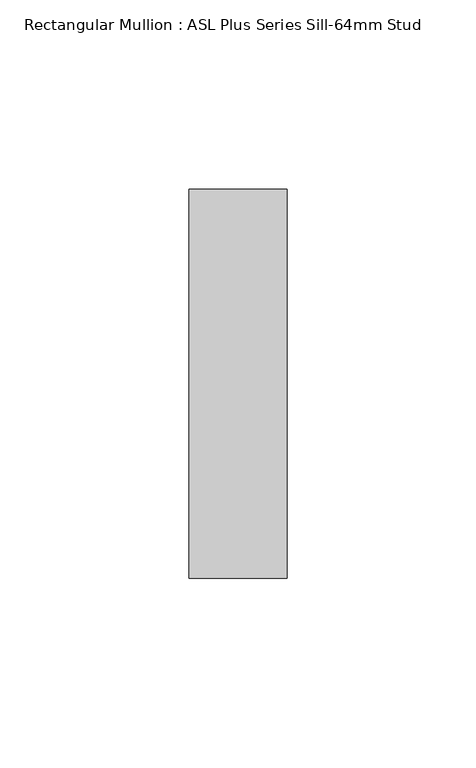
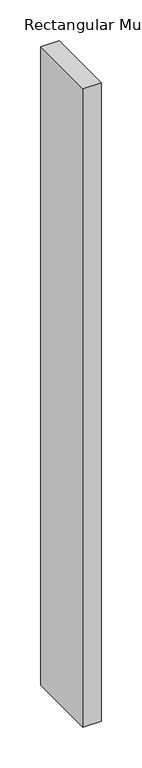
"""IFC4 building model written with IfcOpenShell, lengths in millimetres: member geometry, Rectangular Mullion : ASL Plus Series Sill-64mm Stud."""

from ifc_helpers import new_model, si_unit, frame, origin, place, context, project, spatial, polyline, outline, extrude, source, transform, mapped, element, save


def rectangular_mullion_asl_plus_series_sill_64mm_stud_f8b8a65d(model_context):
    return source(origin(), model_context, "Body", "SweptSolid", [
        extrude(outline(polyline([(-26.0, 51.5), (0.0, 51.5), (0.0, -51.5), (-26.0, -51.5), (-26.0, 51.5)])), frame((0.0, 0.0, -956.0), z_axis=(0.0, 0.0, 1.0), x_axis=(1.0, 0.0, 0.0)), (0.0, 0.0, 1.0), 956.0),
    ])


if __name__ == "__main__":
    model = new_model("IFC4")
    model_context = context("Model", 3, world=origin())
    ifc_project = project(units=[si_unit("LENGTHUNIT", "METRE", prefix="MILLI")], contexts=[model_context])
    site = spatial("IfcSite", under=ifc_project)
    building = spatial("IfcBuilding", under=site)
    placement = place(None, origin())
    rectangular_mullion_asl_plus_series_sill_64mm_stud_shape = rectangular_mullion_asl_plus_series_sill_64mm_stud_f8b8a65d(model_context)
    element("IfcMember", 1, ObjectType="Rectangular Mullion : ASL Plus Series Sill-64mm Stud", at=placement, inside=building, context=model_context, shape_type="MappedRepresentation", body=[
        mapped(rectangular_mullion_asl_plus_series_sill_64mm_stud_shape, transform((0.0, 0.0, 0.0), x_axis=(1.0, 0.0, 0.0), y_axis=(0.0, 1.0, 0.0), z_axis=(0.0, 0.0, 1.0))),
    ])
    save(model, "model.ifc")
